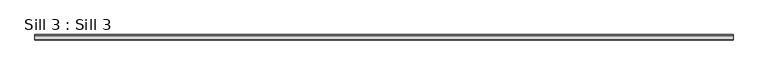
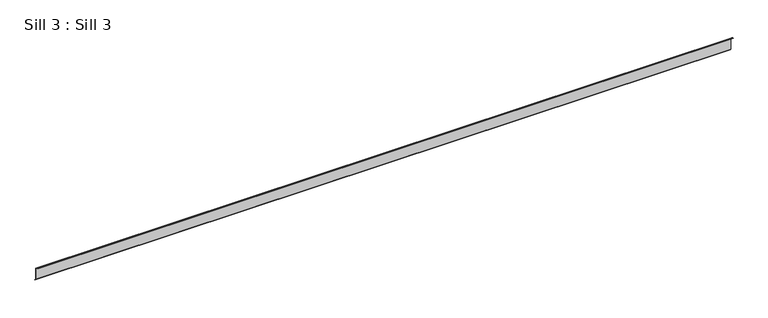
"""IFC4 building model written with IfcOpenShell, lengths in millimetres: proxy geometry, Sill 3 : Sill 3."""

from ifc_helpers import new_model, si_unit, frame, origin, place, context, project, spatial, polyline, outline, extrude, source, transform, mapped, element, save


def sill_3_sill_3_0dcec7c6(model_context):
    return source(origin(), model_context, "Body", "SweptSolid", [
        extrude(outline(polyline([(3980.6195748, 831.277921), (3980.6195748, 752.7525091), (3989.1311273, 744.2409566), (3988.0197501, 743.1295793), (3979.0521224, 752.097207), (3979.0521224, 830.4447681), (3956.3412853, 848.5923879), (3952.3933851, 847.5345512), (3951.9849677, 849.0587857), (3956.7648869, 850.3395612), (3980.6195748, 831.277921)])), frame((-5138.1633868, 0.0, 0.0), z_axis=(1.0, 0.0, 0.0), x_axis=(0.0, 1.0, 0.0)), (0.0, 0.0, 1.0), 4842.5121004),
    ])


if __name__ == "__main__":
    model = new_model("IFC4")
    model_context = context("Model", 3, world=origin())
    ifc_project = project(units=[si_unit("LENGTHUNIT", "METRE", prefix="MILLI")], contexts=[model_context])
    site = spatial("IfcSite", under=ifc_project)
    building = spatial("IfcBuilding", under=site)
    placement = place(None, origin())
    sill_3_sill_3_shape = sill_3_sill_3_0dcec7c6(model_context)
    element("IfcBuildingElementProxy", 1, Name="Sill 3 : Sill 3", ObjectType="Sill 3 : Sill 3", at=placement, inside=building, context=model_context, shape_type="MappedRepresentation", body=[
        mapped(sill_3_sill_3_shape, transform((0.0, 0.0, 0.0), x_axis=(1.0, 0.0, 0.0), y_axis=(0.0, 1.0, 0.0), z_axis=(0.0, 0.0, 1.0))),
    ])
    save(model, "model.ifc")
